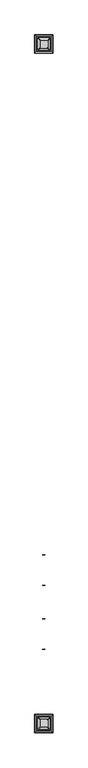
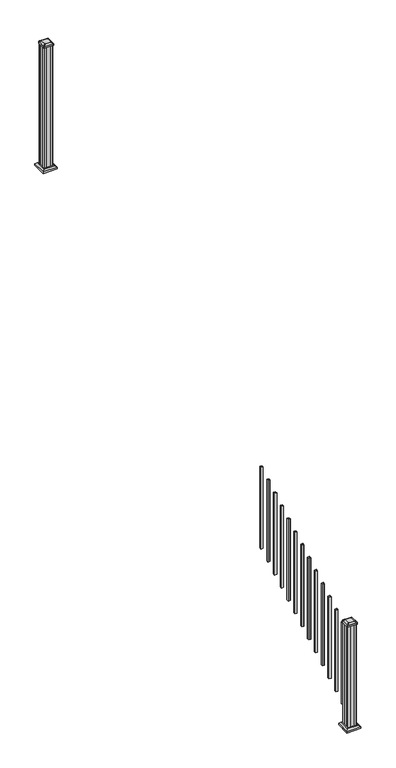
"""IFC4 building model written with IfcOpenShell, lengths in millimetres: railing geometry."""

from ifc_helpers import new_model, si_unit, point, frame, frame_2d, origin, place, context, project, spatial, polyline, circle_curve, trimmed, segment, composite_curve, outline, extrude, faceted_brep, source, transform, mapped, element, save
from ifc_brep_helpers import plane_surface, extruded_surface, advanced_brep


def railing_1e58cd49(model_context):
    return source(origin(), model_context, "Body", "SolidModel", [
        extrude(outline(polyline([(8978.7192659, 3169.6305319), (8959.6692659, 3169.6305319), (8959.6692659, 3188.6805319), (8978.7192659, 3188.6805319), (8978.7192659, 3169.6305319)]), holes=[polyline([(8978.3223909, 3170.0274069), (8978.3223909, 3188.2836569), (8960.0661409, 3188.2836569), (8960.0661409, 3170.0274069), (8978.3223909, 3170.0274069)])]), frame((0.0, 0.0, 1048.8042114), z_axis=(0.0, 0.0, 1.0), x_axis=(1.0, 0.0, 0.0)), (0.0, 0.0, 1.0), 812.8041219),
        extrude(outline(polyline([(8978.7192659, 3058.5055319), (8959.6692659, 3058.5055319), (8959.6692659, 3077.5555319), (8978.7192659, 3077.5555319), (8978.7192659, 3058.5055319)]), holes=[polyline([(8978.3223909, 3058.9024069), (8978.3223909, 3077.1586569), (8960.0661409, 3077.1586569), (8960.0661409, 3058.9024069), (8978.3223909, 3058.9024069)])]), frame((0.0, 0.0, 987.0681003), z_axis=(0.0, 0.0, 1.0), x_axis=(1.0, 0.0, 0.0)), (0.0, 0.0, 1.0), 812.8041219),
        extrude(outline(polyline([(8978.7192659, 2947.3805319), (8959.6692659, 2947.3805319), (8959.6692659, 2966.4305319), (8978.7192659, 2966.4305319), (8978.7192659, 2947.3805319)]), holes=[polyline([(8978.3223909, 2947.7774069), (8978.3223909, 2966.0336569), (8960.0661409, 2966.0336569), (8960.0661409, 2947.7774069), (8978.3223909, 2947.7774069)])]), frame((0.0, 0.0, 925.3319892), z_axis=(0.0, 0.0, 1.0), x_axis=(1.0, 0.0, 0.0)), (0.0, 0.0, 1.0), 812.8041219),
        extrude(outline(polyline([(8978.7192659, 2836.2555319), (8959.6692659, 2836.2555319), (8959.6692659, 2855.3055319), (8978.7192659, 2855.3055319), (8978.7192659, 2836.2555319)]), holes=[polyline([(8978.3223909, 2836.6524069), (8978.3223909, 2854.9086569), (8960.0661409, 2854.9086569), (8960.0661409, 2836.6524069), (8978.3223909, 2836.6524069)])]), frame((0.0, 0.0, 863.5958781), z_axis=(0.0, 0.0, 1.0), x_axis=(1.0, 0.0, 0.0)), (0.0, 0.0, 1.0), 812.8041219),
        extrude(outline(polyline([(8978.7192659, 2725.1305319), (8959.6692659, 2725.1305319), (8959.6692659, 2744.1805319), (8978.7192659, 2744.1805319), (8978.7192659, 2725.1305319)]), holes=[polyline([(8978.3223909, 2725.5274069), (8978.3223909, 2743.7836569), (8960.0661409, 2743.7836569), (8960.0661409, 2725.5274069), (8978.3223909, 2725.5274069)])]), frame((0.0, 0.0, 801.859767), z_axis=(0.0, 0.0, 1.0), x_axis=(1.0, 0.0, 0.0)), (0.0, 0.0, 1.0), 812.8041219),
        extrude(outline(polyline([(8978.7192659, 2614.0055319), (8959.6692659, 2614.0055319), (8959.6692659, 2633.0555319), (8978.7192659, 2633.0555319), (8978.7192659, 2614.0055319)]), holes=[polyline([(8978.3223909, 2614.4024069), (8978.3223909, 2632.6586569), (8960.0661409, 2632.6586569), (8960.0661409, 2614.4024069), (8978.3223909, 2614.4024069)])]), frame((0.0, 0.0, 740.1236558), z_axis=(0.0, 0.0, 1.0), x_axis=(1.0, 0.0, 0.0)), (0.0, 0.0, 1.0), 812.8041219),
        extrude(outline(polyline([(8978.7192659, 2502.8805319), (8959.6692659, 2502.8805319), (8959.6692659, 2521.9305319), (8978.7192659, 2521.9305319), (8978.7192659, 2502.8805319)]), holes=[polyline([(8978.3223909, 2503.2774069), (8978.3223909, 2521.5336569), (8960.0661409, 2521.5336569), (8960.0661409, 2503.2774069), (8978.3223909, 2503.2774069)])]), frame((0.0, 0.0, 678.3875447), z_axis=(0.0, 0.0, 1.0), x_axis=(1.0, 0.0, 0.0)), (0.0, 0.0, 1.0), 812.8041219),
        extrude(outline(polyline([(8978.7192659, 2391.7555319), (8959.6692659, 2391.7555319), (8959.6692659, 2410.8055319), (8978.7192659, 2410.8055319), (8978.7192659, 2391.7555319)]), holes=[polyline([(8978.3223909, 2392.1524069), (8978.3223909, 2410.4086569), (8960.0661409, 2410.4086569), (8960.0661409, 2392.1524069), (8978.3223909, 2392.1524069)])]), frame((0.0, 0.0, 616.6514336), z_axis=(0.0, 0.0, 1.0), x_axis=(1.0, 0.0, 0.0)), (0.0, 0.0, 1.0), 812.8041219),
        extrude(outline(polyline([(8978.7192659, 2280.6305319), (8959.6692659, 2280.6305319), (8959.6692659, 2299.6805319), (8978.7192659, 2299.6805319), (8978.7192659, 2280.6305319)]), holes=[polyline([(8978.3223909, 2281.0274069), (8978.3223909, 2299.2836569), (8960.0661409, 2299.2836569), (8960.0661409, 2281.0274069), (8978.3223909, 2281.0274069)])]), frame((0.0, 0.0, 554.9153225), z_axis=(0.0, 0.0, 1.0), x_axis=(1.0, 0.0, 0.0)), (0.0, 0.0, 1.0), 812.8041219),
        extrude(outline(polyline([(8978.7192659, 2169.5055319), (8959.6692659, 2169.5055319), (8959.6692659, 2188.5555319), (8978.7192659, 2188.5555319), (8978.7192659, 2169.5055319)]), holes=[polyline([(8978.3223909, 2169.9024069), (8978.3223909, 2188.1586569), (8960.0661409, 2188.1586569), (8960.0661409, 2169.9024069), (8978.3223909, 2169.9024069)])]), frame((0.0, 0.0, 493.1792114), z_axis=(0.0, 0.0, 1.0), x_axis=(1.0, 0.0, 0.0)), (0.0, 0.0, 1.0), 812.8041219),
        extrude(outline(polyline([(8978.7192659, 2058.3805319), (8959.6692659, 2058.3805319), (8959.6692659, 2077.4305319), (8978.7192659, 2077.4305319), (8978.7192659, 2058.3805319)]), holes=[polyline([(8978.3223909, 2058.7774069), (8978.3223909, 2077.0336569), (8960.0661409, 2077.0336569), (8960.0661409, 2058.7774069), (8978.3223909, 2058.7774069)])]), frame((0.0, 0.0, 431.4431003), z_axis=(0.0, 0.0, 1.0), x_axis=(1.0, 0.0, 0.0)), (0.0, 0.0, 1.0), 812.8041219),
        extrude(outline(polyline([(8978.7192659, 1947.2555319), (8959.6692659, 1947.2555319), (8959.6692659, 1966.3055319), (8978.7192659, 1966.3055319), (8978.7192659, 1947.2555319)]), holes=[polyline([(8978.3223909, 1947.6524069), (8978.3223909, 1965.9086569), (8960.0661409, 1965.9086569), (8960.0661409, 1947.6524069), (8978.3223909, 1947.6524069)])]), frame((0.0, 0.0, 369.7069892), z_axis=(0.0, 0.0, 1.0), x_axis=(1.0, 0.0, 0.0)), (0.0, 0.0, 1.0), 812.8041219),
        extrude(outline(polyline([(8978.7192659, 1836.1305319), (8959.6692659, 1836.1305319), (8959.6692659, 1855.1805319), (8978.7192659, 1855.1805319), (8978.7192659, 1836.1305319)]), holes=[polyline([(8978.3223909, 1836.5274069), (8978.3223909, 1854.7836569), (8960.0661409, 1854.7836569), (8960.0661409, 1836.5274069), (8978.3223909, 1836.5274069)])]), frame((0.0, 0.0, 307.9708781), z_axis=(0.0, 0.0, 1.0), x_axis=(1.0, 0.0, 0.0)), (0.0, 0.0, 1.0), 812.8041219),
        extrude(outline(polyline([(8929.5067659, 6655.7805319), (8927.9192659, 6657.3680319), (8927.9192659, 6676.9895319), (8929.5067659, 6677.7515319), (8929.5067659, 6716.3595319), (8927.9192659, 6717.1215319), (8927.9192659, 6736.7430319), (8929.5067659, 6738.3305319), (8949.1282659, 6738.3305319), (8949.8902659, 6736.7430319), (8988.4982659, 6736.7430319), (8989.2602659, 6738.3305319), (9008.8817659, 6738.3305319), (9010.4692659, 6736.7430319), (9010.4692659, 6717.1215319), (9008.8817659, 6716.3595319), (9008.8817659, 6677.7515319), (9010.4692659, 6676.9895319), (9010.4692659, 6657.3680319), (9008.8817659, 6655.7805319), (8989.2602659, 6655.7805319), (8988.4982659, 6657.3680319), (8949.8902659, 6657.3680319), (8949.1282659, 6655.7805319), (8929.5067659, 6655.7805319)])), frame((0.0, 0.0, 2709.3333333), z_axis=(0.0, 0.0, 1.0), x_axis=(1.0, 0.0, 0.0)), (0.0, 0.0, 1.0), 1223.6281519),
        faceted_brep([(9021.7802034, 6644.4695944, 2737.9083333), (9021.7802034, 6749.6414694, 2737.9083333), (8916.6083284, 6749.6414694, 2737.9083333), (8916.6083284, 6644.4695944, 2737.9083333), (9035.8196565, 6630.4301413, 2724.5733333), (8902.5688753, 6630.4301413, 2724.5733333), (8902.5688753, 6763.6809225, 2724.5733333), (9035.8196565, 6763.6809225, 2724.5733333)], [[[0, 1, 2, 3]], [[4, 5, 6, 7]], [[4, 0, 3, 5]], [[5, 3, 2, 6]], [[6, 2, 1, 7]], [[7, 1, 0, 4]]]),
        extrude(outline(polyline([(9035.8196565, 6630.4301413), (8902.5688753, 6630.4301413), (8902.5688753, 6763.6809225), (9035.8196565, 6763.6809225), (9035.8196565, 6630.4301413)])), frame((0.0, 0.0, 2709.3333333), z_axis=(0.0, 0.0, 1.0), x_axis=(1.0, 0.0, 0.0)), (0.0, 0.0, 1.0), 15.24),
        advanced_brep(
        [(8943.3973909, 6668.0836569, 3961.5364852), (8994.9911409, 6668.0836569, 3961.5364852), (8998.1661409, 6671.2586569, 3961.5364852), (8998.1661409, 6722.8524069, 3961.5364852), (8994.9911409, 6726.0274069, 3961.5364852), (8943.3973909, 6726.0274069, 3961.5364852), (8940.2223909, 6722.8524069, 3961.5364852), (8940.2223909, 6671.2586569, 3961.5364852), (8927.1255159, 6651.8117819, 3950.2334852), (8923.9505159, 6654.9867819, 3950.2334852), (8923.9505159, 6739.1242819, 3950.2334852), (8927.1255159, 6742.2992819, 3950.2334852), (9011.2630159, 6742.2992819, 3950.2334852), (9014.4380159, 6739.1242819, 3950.2334852), (9014.4380159, 6654.9867819, 3950.2334852), (9011.2630159, 6651.8117819, 3950.2334852)],
        [
            (0, 1),
            (1, 2, circle_curve(frame((8994.9911409, 6671.2586569, 3961.5364852), z_axis=(0.0, 0.0, 1.0), x_axis=(0.0, 1.0, 0.0)), 3.175)),
            (2, 3),
            (3, 4, circle_curve(frame((8994.9911409, 6722.8524069, 3961.5364852), z_axis=(0.0, 0.0, 1.0), x_axis=(0.0, 1.0, 0.0)), 3.175)),
            (4, 5),
            (5, 6, circle_curve(frame((8943.3973909, 6722.8524069, 3961.5364852), z_axis=(0.0, 0.0, 1.0), x_axis=(0.0, 1.0, 0.0)), 3.175)),
            (6, 7),
            (7, 0, circle_curve(frame((8943.3973909, 6671.2586569, 3961.5364852), z_axis=(0.0, 0.0, 1.0), x_axis=(0.0, 1.0, 0.0)), 3.175)),
            (8, 9, circle_curve(frame((8927.1255159, 6654.9867819, 3950.2334852), z_axis=(0.0, 0.0, -1.0), x_axis=(0.0, 1.0, 0.0)), 3.175)),
            (9, 10),
            (10, 11, circle_curve(frame((8927.1255159, 6739.1242819, 3950.2334852), z_axis=(0.0, 0.0, -1.0), x_axis=(0.0, 1.0, 0.0)), 3.175)),
            (11, 12),
            (12, 13, circle_curve(frame((9011.2630159, 6739.1242819, 3950.2334852), z_axis=(0.0, 0.0, -1.0), x_axis=(0.0, 1.0, 0.0)), 3.175)),
            (13, 14),
            (14, 15, circle_curve(frame((9011.2630159, 6654.9867819, 3950.2334852), z_axis=(0.0, 0.0, -1.0), x_axis=(0.0, 1.0, 0.0)), 3.175)),
            (15, 8),
            (8, 0),
            (7, 9),
            (6, 10),
            (5, 11),
            (4, 12),
            (3, 13),
            (2, 14),
            (1, 15),
        ],
        [
            plane_surface(frame((8969.1942659, 6697.0555319, 3961.5364852), z_axis=(0.0, 0.0, 1.0), x_axis=(-1.0, 0.0, 0.0))),
            plane_surface(frame((8969.1942659, 6697.0555319, 3950.2334852), z_axis=(0.0, 0.0, -1.0), x_axis=(-1.0, 0.0, 0.0))),
            extruded_surface(trimmed(circle_curve(frame((8943.3973909, 6671.2586569, 3961.5364852), z_axis=(0.0, 0.0, -1.0), x_axis=(0.0, 1.0, 0.0)), 3.175), [point((8943.3973909, 6668.0836569, 3961.5364852))], [point((8940.2223909, 6671.2586569, 3961.5364852))], True, "CARTESIAN"), (-16.271875000000364, -16.271874999999454, -11.302999999999884), 25.637972638865996),
            plane_surface(frame((8923.9505159, 6697.0555319, 3950.2334852), z_axis=(-0.5705009161540687, 0.0, 0.8212969649690472), x_axis=(0.0, 1.0, 0.0))),
            extruded_surface(trimmed(circle_curve(frame((8943.3973909, 6722.8524069, 3961.5364852), z_axis=(0.0, 0.0, -1.0), x_axis=(0.0, 1.0, 0.0)), 3.175), [point((8940.2223909, 6722.8524069, 3961.5364852))], [point((8943.3973909, 6726.0274069, 3961.5364852))], True, "CARTESIAN"), (-16.271875000000364, 16.271875000000364, -11.302999999999884), 25.63797263886657),
            plane_surface(frame((8969.1942659, 6742.2992819, 3950.2334852), z_axis=(0.0, 0.5705009161540291, 0.8212969649690747), x_axis=(1.0, 0.0, 0.0))),
            extruded_surface(trimmed(circle_curve(frame((8994.9911409, 6722.8524069, 3961.5364852), z_axis=(0.0, 0.0, -1.0), x_axis=(0.0, 1.0, 0.0)), 3.175), [point((8994.9911409, 6726.0274069, 3961.5364852))], [point((8998.1661409, 6722.8524069, 3961.5364852))], True, "CARTESIAN"), (16.271875000000364, 16.271875000000364, -11.302999999999884), 25.63797263886657),
            plane_surface(frame((9014.4380159, 6697.0555319, 3950.2334852), z_axis=(0.5705009161540233, 0.0, 0.8212969649690787), x_axis=(0.0, -1.0, 0.0))),
            extruded_surface(trimmed(circle_curve(frame((8994.9911409, 6671.2586569, 3961.5364852), z_axis=(0.0, 0.0, -1.0), x_axis=(0.0, 1.0, 0.0)), 3.175), [point((8998.1661409, 6671.2586569, 3961.5364852))], [point((8994.9911409, 6668.0836569, 3961.5364852))], True, "CARTESIAN"), (16.271875000000364, -16.271874999999454, -11.302999999999884), 25.637972638865996),
            plane_surface(frame((8969.1942659, 6651.8117819, 3950.2334852), z_axis=(0.0, -0.570500916154034, 0.8212969649690713), x_axis=(-1.0, 0.0, 0.0))),
        ],
        [
            (0, [[1, 2, 3, 4, 5, 6, 7, 8]]),
            (1, [[9, 10, 11, 12, 13, 14, 15, 16]]),
            (2, [[17, -8, 18, -9]]),
            (3, [[-18, -7, 19, -10]]),
            (4, [[-19, -6, 20, -11]]),
            (5, [[-20, -5, 21, -12]]),
            (6, [[-21, -4, 22, -13]]),
            (7, [[-22, -3, 23, -14]]),
            (8, [[-23, -2, 24, -15]]),
            (9, [[-24, -1, -17, -16]]),
        ],
    ),
        extrude(outline(composite_curve([segment(trimmed(circle_curve(frame_2d((8927.1255159, 6654.9867819)), 3.175), [point((8927.1255159, 6651.8117819))], [point((8923.9505159, 6654.9867819))], False, "CARTESIAN"), True, "CONTINUOUS"), segment(polyline([(8923.9505159, 6654.9867819), (8923.9505159, 6739.1242819)]), True, "CONTINUOUS"), segment(trimmed(circle_curve(frame_2d((8927.1255159, 6739.1242819)), 3.175), [point((8923.9505159, 6739.1242819))], [point((8927.1255159, 6742.2992819))], False, "CARTESIAN"), True, "CONTINUOUS"), segment(polyline([(8927.1255159, 6742.2992819), (9011.2630159, 6742.2992819)]), True, "CONTINUOUS"), segment(trimmed(circle_curve(frame_2d((9011.2630159, 6739.1242819)), 3.175), [point((9011.2630159, 6742.2992819))], [point((9014.4380159, 6739.1242819))], False, "CARTESIAN"), True, "CONTINUOUS"), segment(polyline([(9014.4380159, 6739.1242819), (9014.4380159, 6654.9867819)]), True, "CONTINUOUS"), segment(trimmed(circle_curve(frame_2d((9011.2630159, 6654.9867819)), 3.175), [point((9014.4380159, 6654.9867819))], [point((9011.2630159, 6651.8117819))], False, "CARTESIAN"), True, "CONTINUOUS"), segment(polyline([(9011.2630159, 6651.8117819), (8927.1255159, 6651.8117819)]), True, "CONTINUOUS")], self_intersect=False)), frame((0.0, 0.0, 3932.9614852), z_axis=(0.0, 0.0, 1.0), x_axis=(1.0, 0.0, 0.0)), (0.0, 0.0, 1.0), 17.272),
        faceted_brep([(9021.7802034, 1685.1195944, 174.9777778), (9021.7802034, 1790.2914694, 174.9777778), (8916.6083284, 1790.2914694, 174.9777778), (8916.6083284, 1685.1195944, 174.9777778), (9035.8196565, 1671.0801413, 161.6427778), (8902.5688753, 1671.0801413, 161.6427778), (8902.5688753, 1804.3309225, 161.6427778), (9035.8196565, 1804.3309225, 161.6427778)], [[[0, 1, 2, 3]], [[4, 5, 6, 7]], [[4, 0, 3, 5]], [[5, 3, 2, 6]], [[6, 2, 1, 7]], [[7, 1, 0, 4]]]),
        extrude(outline(polyline([(9035.8196565, 1671.0801413), (8902.5688753, 1671.0801413), (8902.5688753, 1804.3309225), (9035.8196565, 1804.3309225), (9035.8196565, 1671.0801413)])), frame((0.0, 0.0, 146.4027778), z_axis=(0.0, 0.0, 1.0), x_axis=(1.0, 0.0, 0.0)), (0.0, 0.0, 1.0), 15.24),
        advanced_brep(
        [(8943.3973909, 1708.7336569, 1206.3420408), (8994.9911409, 1708.7336569, 1206.3420408), (8998.1661409, 1711.9086569, 1206.3420408), (8998.1661409, 1763.5024069, 1206.3420408), (8994.9911409, 1766.6774069, 1206.3420408), (8943.3973909, 1766.6774069, 1206.3420408), (8940.2223909, 1763.5024069, 1206.3420408), (8940.2223909, 1711.9086569, 1206.3420408), (8927.1255159, 1692.4617819, 1195.0390408), (8923.9505159, 1695.6367819, 1195.0390408), (8923.9505159, 1779.7742819, 1195.0390408), (8927.1255159, 1782.9492819, 1195.0390408), (9011.2630159, 1782.9492819, 1195.0390408), (9014.4380159, 1779.7742819, 1195.0390408), (9014.4380159, 1695.6367819, 1195.0390408), (9011.2630159, 1692.4617819, 1195.0390408)],
        [
            (0, 1),
            (1, 2, circle_curve(frame((8994.9911409, 1711.9086569, 1206.3420408), z_axis=(0.0, 0.0, 1.0), x_axis=(0.0, 1.0, 0.0)), 3.175)),
            (2, 3),
            (3, 4, circle_curve(frame((8994.9911409, 1763.5024069, 1206.3420408), z_axis=(0.0, 0.0, 1.0), x_axis=(0.0, 1.0, 0.0)), 3.175)),
            (4, 5),
            (5, 6, circle_curve(frame((8943.3973909, 1763.5024069, 1206.3420408), z_axis=(0.0, 0.0, 1.0), x_axis=(0.0, 1.0, 0.0)), 3.175)),
            (6, 7),
            (7, 0, circle_curve(frame((8943.3973909, 1711.9086569, 1206.3420408), z_axis=(0.0, 0.0, 1.0), x_axis=(0.0, 1.0, 0.0)), 3.175)),
            (8, 9, circle_curve(frame((8927.1255159, 1695.6367819, 1195.0390408), z_axis=(0.0, 0.0, -1.0), x_axis=(0.0, 1.0, 0.0)), 3.175)),
            (9, 10),
            (10, 11, circle_curve(frame((8927.1255159, 1779.7742819, 1195.0390408), z_axis=(0.0, 0.0, -1.0), x_axis=(0.0, 1.0, 0.0)), 3.175)),
            (11, 12),
            (12, 13, circle_curve(frame((9011.2630159, 1779.7742819, 1195.0390408), z_axis=(0.0, 0.0, -1.0), x_axis=(0.0, 1.0, 0.0)), 3.175)),
            (13, 14),
            (14, 15, circle_curve(frame((9011.2630159, 1695.6367819, 1195.0390408), z_axis=(0.0, 0.0, -1.0), x_axis=(0.0, 1.0, 0.0)), 3.175)),
            (15, 8),
            (8, 0),
            (7, 9),
            (6, 10),
            (5, 11),
            (4, 12),
            (3, 13),
            (2, 14),
            (1, 15),
        ],
        [
            plane_surface(frame((8969.1942659, 1737.7055319, 1206.3420408), z_axis=(0.0, 0.0, 1.0), x_axis=(-1.0, 0.0, 0.0))),
            plane_surface(frame((8969.1942659, 1737.7055319, 1195.0390408), z_axis=(0.0, 0.0, -1.0), x_axis=(-1.0, 0.0, 0.0))),
            extruded_surface(trimmed(circle_curve(frame((8943.3973909, 1711.9086569, 1206.3420408), z_axis=(0.0, 0.0, -1.0), x_axis=(0.0, 1.0, 0.0)), 3.175), [point((8943.3973909, 1708.7336569, 1206.3420408))], [point((8940.2223909, 1711.9086569, 1206.3420408))], True, "CARTESIAN"), (-16.271875000000364, -16.271875000000136, -11.302999999999884), 25.637972638866426),
            plane_surface(frame((8923.9505159, 1737.7055319, 1195.0390408), z_axis=(-0.5705009161540778, 0.0, 0.8212969649690408), x_axis=(0.0, 1.0, 0.0))),
            extruded_surface(trimmed(circle_curve(frame((8943.3973909, 1763.5024069, 1206.3420408), z_axis=(0.0, 0.0, -1.0), x_axis=(0.0, 1.0, 0.0)), 3.175), [point((8940.2223909, 1763.5024069, 1206.3420408))], [point((8943.3973909, 1766.6774069, 1206.3420408))], True, "CARTESIAN"), (-16.271875000000364, 16.27187499999991, -11.302999999999884), 25.637972638866284),
            plane_surface(frame((8969.1942659, 1782.9492819, 1195.0390408), z_axis=(0.0, 0.5705009161540291, 0.8212969649690747), x_axis=(1.0, 0.0, 0.0))),
            extruded_surface(trimmed(circle_curve(frame((8994.9911409, 1763.5024069, 1206.3420408), z_axis=(0.0, 0.0, -1.0), x_axis=(0.0, 1.0, 0.0)), 3.175), [point((8994.9911409, 1766.6774069, 1206.3420408))], [point((8998.1661409, 1763.5024069, 1206.3420408))], True, "CARTESIAN"), (16.271875000000364, 16.27187499999991, -11.302999999999884), 25.637972638866284),
            plane_surface(frame((9014.4380159, 1737.7055319, 1195.0390408), z_axis=(0.5705009161540142, 0.0, 0.8212969649690851), x_axis=(0.0, -1.0, 0.0))),
            extruded_surface(trimmed(circle_curve(frame((8994.9911409, 1711.9086569, 1206.3420408), z_axis=(0.0, 0.0, -1.0), x_axis=(0.0, 1.0, 0.0)), 3.175), [point((8998.1661409, 1711.9086569, 1206.3420408))], [point((8994.9911409, 1708.7336569, 1206.3420408))], True, "CARTESIAN"), (16.271875000000364, -16.271875000000136, -11.302999999999884), 25.637972638866426),
            plane_surface(frame((8969.1942659, 1692.4617819, 1195.0390408), z_axis=(0.0, -0.570500916154034, 0.8212969649690713), x_axis=(-1.0, 0.0, 0.0))),
        ],
        [
            (0, [[1, 2, 3, 4, 5, 6, 7, 8]]),
            (1, [[9, 10, 11, 12, 13, 14, 15, 16]]),
            (2, [[17, -8, 18, -9]]),
            (3, [[-18, -7, 19, -10]]),
            (4, [[-19, -6, 20, -11]]),
            (5, [[-20, -5, 21, -12]]),
            (6, [[-21, -4, 22, -13]]),
            (7, [[-22, -3, 23, -14]]),
            (8, [[-23, -2, 24, -15]]),
            (9, [[-24, -1, -17, -16]]),
        ],
    ),
        extrude(outline(composite_curve([segment(trimmed(circle_curve(frame_2d((8927.1255159, 1695.6367819)), 3.175), [point((8927.1255159, 1692.4617819))], [point((8923.9505159, 1695.6367819))], False, "CARTESIAN"), True, "CONTINUOUS"), segment(polyline([(8923.9505159, 1695.6367819), (8923.9505159, 1779.7742819)]), True, "CONTINUOUS"), segment(trimmed(circle_curve(frame_2d((8927.1255159, 1779.7742819)), 3.175), [point((8923.9505159, 1779.7742819))], [point((8927.1255159, 1782.9492819))], False, "CARTESIAN"), True, "CONTINUOUS"), segment(polyline([(8927.1255159, 1782.9492819), (9011.2630159, 1782.9492819)]), True, "CONTINUOUS"), segment(trimmed(circle_curve(frame_2d((9011.2630159, 1779.7742819)), 3.175), [point((9011.2630159, 1782.9492819))], [point((9014.4380159, 1779.7742819))], False, "CARTESIAN"), True, "CONTINUOUS"), segment(polyline([(9014.4380159, 1779.7742819), (9014.4380159, 1695.6367819)]), True, "CONTINUOUS"), segment(trimmed(circle_curve(frame_2d((9011.2630159, 1695.6367819)), 3.175), [point((9014.4380159, 1695.6367819))], [point((9011.2630159, 1692.4617819))], False, "CARTESIAN"), True, "CONTINUOUS"), segment(polyline([(9011.2630159, 1692.4617819), (8927.1255159, 1692.4617819)]), True, "CONTINUOUS")], self_intersect=False)), frame((0.0, 0.0, 1177.7670408), z_axis=(0.0, 0.0, 1.0), x_axis=(1.0, 0.0, 0.0)), (0.0, 0.0, 1.0), 17.272),
        extrude(outline(polyline([(8929.5067659, 1696.4305319), (8927.9192659, 1698.0180319), (8927.9192659, 1717.6395319), (8929.5067659, 1718.4015319), (8929.5067659, 1757.0095319), (8927.9192659, 1757.7715319), (8927.9192659, 1777.3930319), (8929.5067659, 1778.9805319), (8949.1282659, 1778.9805319), (8949.8902659, 1777.3930319), (8988.4982659, 1777.3930319), (8989.2602659, 1778.9805319), (9008.8817659, 1778.9805319), (9010.4692659, 1777.3930319), (9010.4692659, 1757.7715319), (9008.8817659, 1757.0095319), (9008.8817659, 1718.4015319), (9010.4692659, 1717.6395319), (9010.4692659, 1698.0180319), (9008.8817659, 1696.4305319), (8989.2602659, 1696.4305319), (8988.4982659, 1698.0180319), (8949.8902659, 1698.0180319), (8949.1282659, 1696.4305319), (8929.5067659, 1696.4305319)])), frame((0.0, 0.0, 146.4027778), z_axis=(0.0, 0.0, 1.0), x_axis=(1.0, 0.0, 0.0)), (0.0, 0.0, 1.0), 1031.364263),
    ])


if __name__ == "__main__":
    model = new_model("IFC4")
    model_context = context("Model", 3, world=origin())
    ifc_project = project(units=[si_unit("LENGTHUNIT", "METRE", prefix="MILLI")], contexts=[model_context])
    site = spatial("IfcSite", under=ifc_project)
    building = spatial("IfcBuilding", under=site)
    placement = place(None, origin())
    railing_shape = railing_1e58cd49(model_context)
    element("IfcRailing", 1, at=placement, inside=building, context=model_context, shape_type="MappedRepresentation", body=[
        mapped(railing_shape, transform((0.0, 0.0, 0.0), x_axis=(1.0, 0.0, 0.0), y_axis=(0.0, 1.0, 0.0), z_axis=(0.0, 0.0, 1.0))),
    ])
    save(model, "model.ifc")
